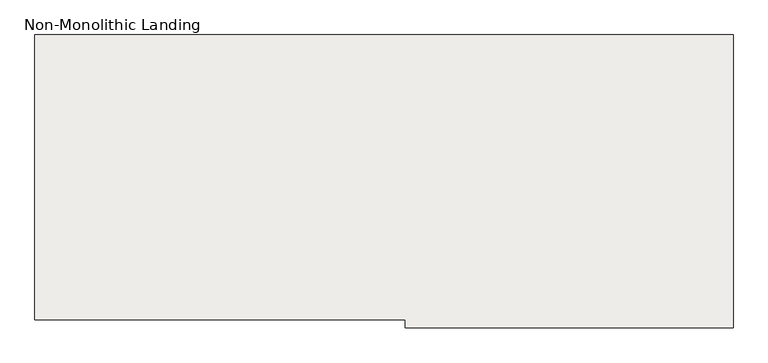
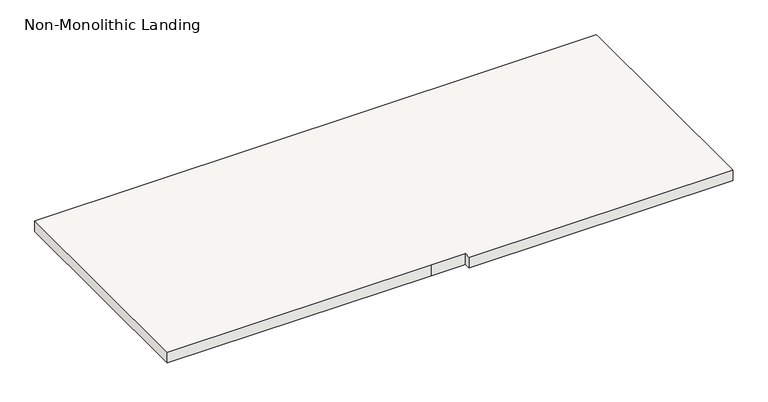
"""IFC4 building model written with IfcOpenShell, lengths in millimetres: slab geometry, Non-Monolithic Landing."""

from ifc_helpers import new_model, si_unit, frame, origin, place, context, project, spatial, polyline, outline, extrude, source, transform, mapped, element, save


def non_monolithic_landing_e971a950(model_context):
    return source(origin(), model_context, "Body", "SweptSolid", [
        extrude(outline(polyline([(395.5456243, -9073.6525014), (395.5456243, -8073.6525014), (2845.5456242, -8073.6525014), (2845.5456242, -9101.3929885), (1695.5456242, -9101.3929885), (1695.5456242, -9073.6525014), (1545.5456242, -9073.6525014), (395.5456243, -9073.6525014)])), frame((0.0, 0.0, -1650.0), z_axis=(0.0, 0.0, 1.0), x_axis=(1.0, 0.0, 0.0)), (0.0, 0.0, 1.0), 50.0),
    ])


if __name__ == "__main__":
    model = new_model("IFC4")
    model_context = context("Model", 3, world=origin())
    ifc_project = project(units=[si_unit("LENGTHUNIT", "METRE", prefix="MILLI")], contexts=[model_context])
    site = spatial("IfcSite", under=ifc_project)
    building = spatial("IfcBuilding", under=site)
    placement = place(None, origin())
    non_monolithic_landing_shape = non_monolithic_landing_e971a950(model_context)
    element("IfcSlab", 1, ObjectType="Non-Monolithic Landing", at=placement, inside=building, context=model_context, shape_type="MappedRepresentation", body=[
        mapped(non_monolithic_landing_shape, transform((0.0, 0.0, 0.0), x_axis=(1.0, 0.0, 0.0), y_axis=(0.0, 1.0, 0.0), z_axis=(0.0, 0.0, 1.0))),
    ])
    save(model, "model.ifc")
